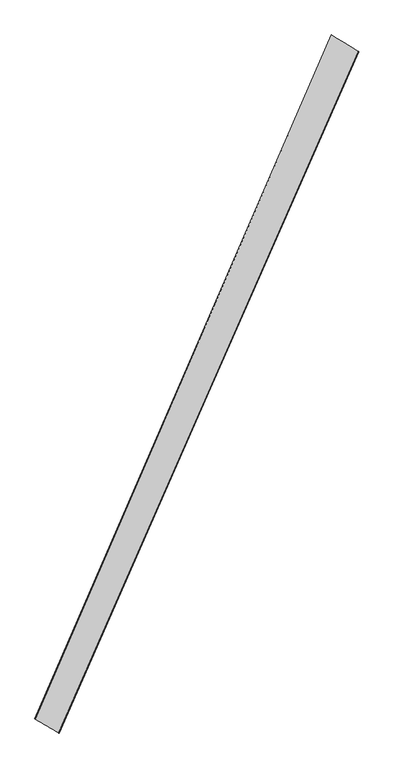
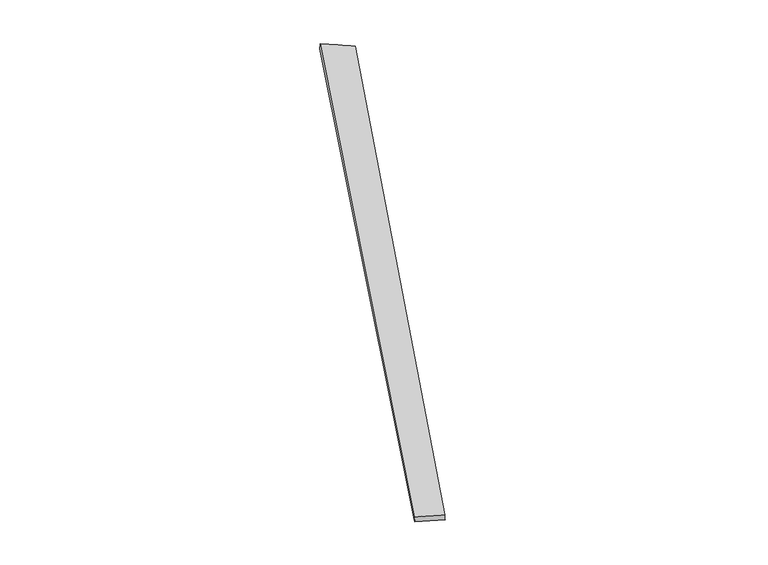
"""IFC4 building model written with IfcOpenShell, lengths in millimetres: proxy geometry."""

from ifc_helpers import new_model, si_unit, origin, place, context, project, spatial, source, transform, mapped, element, save
from ifc_brep_helpers import spline_surface, advanced_brep


def generic_models_52b18a40(model_context):
    return source(origin(), model_context, "Body", "AdvancedBrep", [
        advanced_brep(
        [(-674.4472404, -1708.5996756, 6.7691251), (-672.5914766, -1709.5199451, -23.1592769), (960.455365, 2006.1382902, -35.7348003), (963.1725888, 2005.0417458, -5.8782384), (-800.8829441, -1633.5540812, -36.5760507), (814.3960289, 2096.3424797, -24.1097427), (-803.9977661, -1632.3022639, -6.7644617), (815.2724176, 2095.8601937, 5.8735751)],
        [
            (0, 1),
            (1, 2),
            (2, 3),
            (3, 0),
            (1, 4),
            (4, 5),
            (5, 2),
            (4, 6),
            (6, 7),
            (7, 5),
            (6, 0),
            (3, 7),
        ],
        [
            spline_surface(1, 1, [[(-674.4472404, -1708.5996756, 6.7691251), (963.1725888, 2005.0417458, -5.8782384)], [(-672.5914766, -1709.5199451, -23.1592769), (960.455365, 2006.1382902, -35.7348003)]], [2, 2], [2, 2], [0.0, 1.0], [0.0, 1.0]),
            spline_surface(1, 1, [[(-672.5914766, -1709.5199451, -23.1592769), (960.455365, 2006.1382902, -35.7348003)], [(-800.8829441, -1633.5540812, -36.5760507), (814.3960289, 2096.3424797, -24.1097427)]], [2, 2], [2, 2], [0.0, 1.0], [0.0, 1.0]),
            spline_surface(1, 1, [[(-800.8829441, -1633.5540812, -36.5760507), (814.3960289, 2096.3424797, -24.1097427)], [(-803.9977661, -1632.3022639, -6.7644617), (815.2724176, 2095.8601937, 5.8735751)]], [2, 2], [2, 2], [0.0, 1.0], [0.0, 1.0]),
            spline_surface(1, 1, [[(-803.9977661, -1632.3022639, -6.7644617), (815.2724176, 2095.8601937, 5.8735751)], [(-674.4472404, -1708.5996756, 6.7691251), (963.1725888, 2005.0417458, -5.8782384)]], [2, 2], [2, 2], [0.0, 1.0], [0.0, 1.0]),
            spline_surface(1, 1, [[(960.455365, 2006.1382902, -35.7348003), (963.1725888, 2005.0417458, -5.8782384)], [(814.3960289, 2096.3424797, -24.1097427), (815.2724176, 2095.8601937, 5.8735751)]], [2, 2], [2, 2], [0.0, 1.0], [0.0, 1.0]),
            spline_surface(1, 1, [[(-803.9977661, -1632.3022639, -6.7644617), (-674.4472404, -1708.5996756, 6.7691251)], [(-800.8829441, -1633.5540812, -36.5760507), (-672.5914766, -1709.5199451, -23.1592769)]], [2, 2], [2, 2], [0.0, 1.0], [0.0, 1.0]),
        ],
        [
            (0, [[1, 2, 3, 4]]),
            (1, [[5, 6, 7, -2]]),
            (2, [[8, 9, 10, -6]]),
            (3, [[11, -4, 12, -9]]),
            (4, [[-3, -7, -10, -12]]),
            (5, [[-11, -8, -5, -1]]),
        ],
    ),
    ])


if __name__ == "__main__":
    model = new_model("IFC4")
    model_context = context("Model", 3, world=origin())
    ifc_project = project(units=[si_unit("LENGTHUNIT", "METRE", prefix="MILLI")], contexts=[model_context])
    site = spatial("IfcSite", under=ifc_project)
    building = spatial("IfcBuilding", under=site)
    placement = place(None, origin())
    generic_models_shape = generic_models_52b18a40(model_context)
    element("IfcBuildingElementProxy", 1, Name="Generic Models", at=placement, inside=building, context=model_context, shape_type="MappedRepresentation", body=[
        mapped(generic_models_shape, transform((0.0, 0.0, 0.0), x_axis=(1.0, 0.0, 0.0), y_axis=(0.0, 1.0, 0.0), z_axis=(0.0, 0.0, 1.0))),
    ])
    save(model, "model.ifc")
